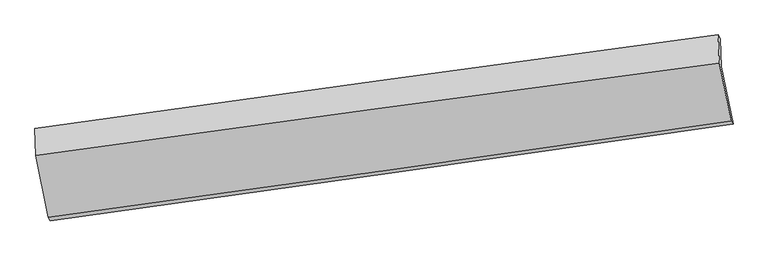
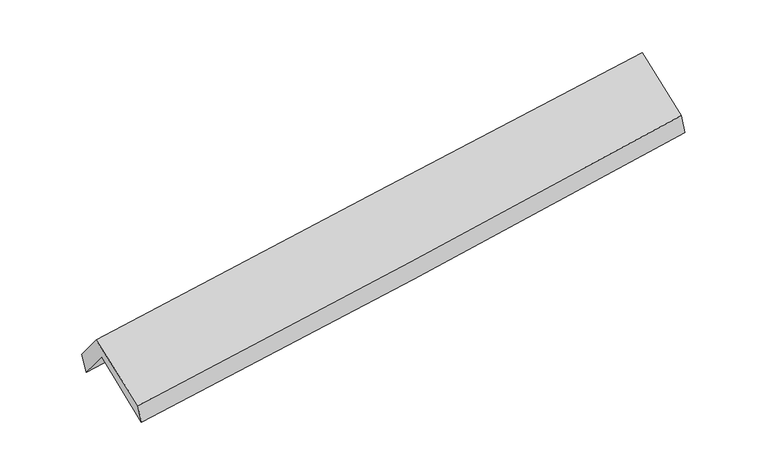
"""IFC4 building model written with IfcOpenShell, lengths in millimetres: proxy geometry."""

from ifc_helpers import new_model, si_unit, frame, origin, place, context, project, spatial, source, transform, mapped, element, save
from ifc_brep_helpers import plane_surface, spline_curve, spline_surface, advanced_brep


def generic_models_509fd9b7(model_context):
    return source(origin(), model_context, "Body", "AdvancedBrep", [
        advanced_brep(
        [(-2908.3769592, -2513.8980308, 1460.1090854), (-3013.3975043, -2003.4289814, 1889.0589955), (2953.6678337, -1164.9754659, 2367.6537208), (3056.6031593, -1668.1398455, 1951.9944992), (-3022.3679467, -1747.6581576, 1567.9152747), (2944.2318731, -920.1421087, 2070.6710557), (-3042.2025289, -1706.8462271, 1742.6827796), (2925.6403404, -886.8565193, 2242.8643998), (-3033.9963675, -1940.8172708, 2036.4513776), (2936.8347703, -1132.5932811, 2519.7746613), (-2925.967768, -2485.0126769, 1627.4326829), (3039.1701107, -1642.5631827, 2122.9601318)],
        [
            (0, 1),
            (1, 2, spline_curve(3, [(-3013.3975043, -2003.4289814, 1889.0589955), (-2018.608762205, -1866.076919032, 1969.521716069), (-1023.962066677, -1727.530207731, 2049.635722091), (965.059716338, -1448.045732546, 2209.167305974), (1959.434799982, -1307.107938787, 2288.584875165), (2953.6678337, -1164.9754659, 2367.6537208)], [4, 2, 4], [0.0, 9.915792664136498, 19.831709797665752])),
            (2, 3),
            (3, 0, spline_curve(3, [(3056.6031593, -1668.1398455, 1951.9944992), (2063.821954673, -1811.840826092, 1857.74068183), (1070.346551696, -1954.171598722, 1769.623103091), (-917.980172198, -2236.090959673, 1605.661452378), (-1912.831475209, -2375.679581997, 1529.817226488), (-2908.3769592, -2513.8980308, 1460.1090854)], [4, 2, 4], [0.0, 9.915917133529254, 19.831709797665752])),
            (1, 4),
            (4, 5, spline_curve(3, [(-3022.3679467, -1747.6581576, 1567.9152747), (-2027.545048073, -1611.141791185, 1649.367760719), (-1032.920066231, -1473.924374635, 1731.990048444), (955.946545117, -1198.085709124, 1899.575279168), (1950.188170306, -1059.464442914, 1984.53825188), (2944.2318731, -920.1421087, 2070.6710557)], [4, 2, 4], [0.0, 9.91569707483024, 19.831518617853334])),
            (5, 2),
            (4, 6),
            (6, 7, spline_curve(3, [(-3042.2025289, -1706.8462271, 1742.6827796), (-2048.009601163, -1565.79282112, 1824.22108818), (-1053.596021085, -1426.934057625, 1906.671777004), (935.684929973, -1153.604099879, 2073.398960823), (1930.552305921, -1019.132960771, 2157.675478849), (2925.6403404, -886.8565193, 2242.8643998)], [4, 2, 4], [0.0, 9.915706949062594, 19.831538366441993])),
            (7, 5),
            (6, 8),
            (8, 9, spline_curve(3, [(-3033.9963675, -1940.8172708, 2036.4513776), (-2039.409106607, -1802.818749359, 2118.298361387), (-1044.549339357, -1666.467902022, 2199.498545089), (945.727699895, -1397.059864097, 2360.606322469), (1941.144978489, -1264.002714902, 2440.513900141), (2936.8347703, -1132.5932811, 2519.7746613)], [4, 2, 4], [0.0, 9.915690680966975, 19.831505830046545])),
            (9, 7),
            (8, 10),
            (10, 11, spline_curve(3, [(-2925.967768, -2485.0126769, 1627.4326829), (-1930.784570537, -2347.981980139, 1703.593004096), (-936.101265535, -2209.262958613, 1782.966839273), (1052.278040163, -1928.446502904, 1948.142574817), (2045.974027905, -1786.349026341, 2033.944555797), (3039.1701107, -1642.5631827, 2122.9601318)], [4, 2, 4], [0.0, 9.915679651204702, 19.831483770383546])),
            (11, 9),
            (10, 0),
            (3, 11),
        ],
        [
            spline_surface(3, 3, [[(-2908.3769592, -2513.8980308, 1460.1090854), (-1912.831475109, -2375.679581849, 1529.817226545), (-917.980172048, -2236.090959543, 1605.661452459), (1070.346551546, -1954.171598851, 1769.62310301), (2063.821954652, -1811.840826039, 1857.740681696), (3056.6031593, -1668.1398455, 1951.9944992)], [(-2943.383807558, -2343.741681006, 1603.092388779), (-1948.09057085, -2205.812027608, 1676.385389756), (-953.307470236, -2066.570708932, 1753.65287568), (1035.25093979, -1785.462976748, 1916.137837334), (2029.026236395, -1643.596530282, 2001.355412847), (3022.291384099, -1500.418385636, 2090.547573087)], [(-2978.390655942, -2173.585331194, 1746.075692121), (-1983.349666617, -2035.944473349, 1822.953552931), (-988.634768426, -1897.050458334, 1901.644298881), (1000.155328032, -1616.754354658, 2062.65257164), (1994.230518141, -1475.352234518, 2144.970143937), (2987.979608901, -1332.696925764, 2229.100646913)], [(-3013.3975043, -2003.4289814, 1889.0589955), (-2018.608762358, -1866.076919108, 1969.521716142), (-1023.962066615, -1727.530207723, 2049.635722101), (965.059716275, -1448.045732554, 2209.167305964), (1959.434799884, -1307.107938761, 2288.584875089), (2953.6678337, -1164.9754659, 2367.6537208)]], [4, 4], [4, 2, 4], [0.0, 2.234121969725608], [0.0, 9.915792664136498, 19.831709797665752]),
            spline_surface(3, 3, [[(-3013.3975043, -2003.4289814, 1889.0589955), (-2018.608762358, -1866.076919108, 1969.521716142), (-1023.962066615, -1727.530207723, 2049.635722101), (965.059716275, -1448.045732554, 2209.167305964), (1959.434799884, -1307.107938761, 2288.584875089), (2953.6678337, -1164.9754659, 2367.6537208)], [(-3016.387651761, -1918.172040137, 1782.011088577), (-2021.587524217, -1781.098543165, 1862.803730964), (-1026.948066535, -1642.994930019, 1943.75383084), (962.021992581, -1364.725724788, 2105.96996373), (1956.352590009, -1224.560106824, 2187.236000672), (2950.522513513, -1083.364346841, 2268.65949908)], [(-3019.377799239, -1832.915098863, 1674.963181623), (-2024.566286093, -1696.120167213, 1756.085745756), (-1029.93406642, -1558.459652262, 1837.871939596), (958.984268922, -1281.405716968, 2002.772621512), (1953.270380094, -1142.012274864, 2085.887126314), (2947.377193287, -1001.753227759, 2169.66527742)], [(-3022.3679467, -1747.6581576, 1567.9152747), (-2027.545047952, -1611.141791271, 1649.367760578), (-1032.92006634, -1473.924374558, 1731.990048334), (955.946545227, -1198.085709201, 1899.575279278), (1950.188170219, -1059.464442927, 1984.538251898), (2944.2318731, -920.1421087, 2070.6710557)]], [4, 4], [4, 2, 4], [0.0, 1.3198318760180319], [0.0, 9.91569707483024, 19.831518617853334]),
            spline_surface(3, 3, [[(-3022.3679467, -1747.6581576, 1567.9152747), (-2027.545047952, -1611.141791271, 1649.367760578), (-1032.92006634, -1473.924374558, 1731.990048334), (955.946545227, -1198.085709201, 1899.575279278), (1950.188170219, -1059.464442927, 1984.538251898), (2944.2318731, -920.1421087, 2070.6710557)], [(-3028.979474117, -1734.054180758, 1626.171109651), (-2034.36656573, -1596.025467887, 1707.652203139), (-1039.812051237, -1458.260935562, 1790.217291224), (949.192673449, -1183.25850609, 1957.516506468), (1943.642882179, -1046.020615546, 2042.250660905), (2938.034695546, -909.046912211, 2128.06883709)], [(-3035.591001483, -1720.450203942, 1684.426944649), (-2041.188083458, -1580.909144528, 1765.936645745), (-1046.704036121, -1442.597496599, 1848.444534102), (942.438801683, -1168.431303012, 2015.457733646), (1937.097594102, -1032.576788231, 2099.963069844), (2931.837517954, -897.951715789, 2185.46661841)], [(-3042.2025289, -1706.8462271, 1742.6827796), (-2048.009601237, -1565.792821144, 1824.221088306), (-1053.596021017, -1426.934057603, 1906.671776991), (935.684929904, -1153.604099902, 2073.398960835), (1930.552306062, -1019.13296085, 2157.675478851), (2925.6403404, -886.8565193, 2242.8643998)]], [4, 4], [4, 2, 4], [0.0, 0.5948620663698353], [0.0, 9.915706949062594, 19.831538366441993]),
            spline_surface(3, 3, [[(-3042.2025289, -1706.8462271, 1742.6827796), (-2048.009601237, -1565.792821144, 1824.221088306), (-1053.596021017, -1426.934057603, 1906.671776991), (935.684929904, -1153.604099902, 2073.398960835), (1930.552306062, -1019.13296085, 2157.675478851), (2925.6403404, -886.8565193, 2242.8643998)], [(-3039.467141768, -1784.836574989, 1840.605645593), (-2045.142769699, -1644.801463912, 1922.246846036), (-1050.580460449, -1506.778672407, 2004.280699664), (939.032519867, -1234.756021295, 2169.134748052), (1934.083196822, -1100.756212219, 2251.95495262), (2929.371817015, -968.768773224, 2335.16782028)], [(-3036.731754632, -1862.826922911, 1938.528511607), (-2042.275938156, -1723.810106713, 2020.272603788), (-1047.564899851, -1586.623287223, 2101.889622368), (942.380109859, -1315.9079427, 2264.8705353), (1937.614087636, -1182.379463615, 2346.234426448), (2933.103293685, -1050.681027176, 2427.47124082)], [(-3033.9963675, -1940.8172708, 2036.4513776), (-2039.409106618, -1802.818749481, 2118.298361517), (-1044.549339282, -1666.467902027, 2199.498545041), (945.727699821, -1397.059864093, 2360.606322517), (1941.144978396, -1264.002714984, 2440.513900218), (2936.8347703, -1132.5932811, 2519.7746613)]], [4, 4], [4, 2, 4], [0.0, 1.2385799889221984], [0.0, 9.915690680966975, 19.831505830046545]),
            spline_surface(3, 3, [[(-3033.9963675, -1940.8172708, 2036.4513776), (-2039.409106618, -1802.818749481, 2118.298361517), (-1044.549339282, -1666.467902027, 2199.498545041), (945.727699821, -1397.059864093, 2360.606322517), (1941.144978396, -1264.002714984, 2440.513900218), (2936.8347703, -1132.5932811, 2519.7746613)], [(-2997.986834324, -2122.215739506, 1900.111812719), (-2003.200927918, -1984.539826402, 1980.063242343), (-1008.399981299, -1847.399587544, 2060.654643105), (981.244479919, -1574.188743695, 2223.118406629), (1976.08799486, -1438.118152158, 2304.990785444), (2970.946550426, -1302.583248309, 2387.503151477)], [(-2961.977301176, -2303.614208194, 1763.772247781), (-1966.992749246, -2166.260903306, 1841.828123113), (-972.250623392, -2028.331273081, 1921.810741171), (1016.761259939, -1751.317623317, 2085.630490742), (2011.031011345, -1612.233589305, 2169.46767064), (3005.058330574, -1472.573215491, 2255.231641623)], [(-2925.967768, -2485.0126769, 1627.4326829), (-1930.784570545, -2347.981980228, 1703.593003939), (-936.101265409, -2209.262958598, 1782.966839235), (1052.278040037, -1928.446502919, 1948.142574854), (2045.97402781, -1786.349026479, 2033.944555866), (3039.1701107, -1642.5631827, 2122.9601318)]], [4, 4], [4, 2, 4], [0.0, 2.2536072832748064], [0.0, 9.915679651204702, 19.831483770383546]),
            spline_surface(3, 3, [[(-2925.967768, -2485.0126769, 1627.4326829), (-1930.784570545, -2347.981980228, 1703.593003939), (-936.101265409, -2209.262958598, 1782.966839235), (1052.278040037, -1928.446502919, 1948.142574854), (2045.97402781, -1786.349026479, 2033.944555866), (3039.1701107, -1642.5631827, 2122.9601318)], [(-2920.104165072, -2494.641128204, 1571.658150382), (-1924.800205405, -2357.214514105, 1645.667744789), (-930.060900955, -2218.205625588, 1723.865043649), (1058.300877206, -1937.021534905, 1888.636084246), (2051.923336757, -1794.846293011, 1975.209931129), (3044.9811269, -1651.088736978, 2065.971587586)], [(-2914.240562128, -2504.269579496, 1515.883617918), (-1918.81584025, -2366.447047971, 1587.742485695), (-924.020536501, -2227.148292553, 1664.763248045), (1064.323714377, -1945.596566865, 1829.129593619), (2057.872645705, -1803.343559507, 1916.475306434), (3050.7921431, -1659.614291222, 2008.983043414)], [(-2908.3769592, -2513.8980308, 1460.1090854), (-1912.831475109, -2375.679581849, 1529.817226545), (-917.980172048, -2236.090959543, 1605.661452459), (1070.346551546, -1954.171598851, 1769.62310301), (2063.821954652, -1811.840826039, 1857.740681696), (3056.6031593, -1668.1398455, 1951.9944992)]], [4, 4], [4, 2, 4], [0.0, 0.5930131833157595], [0.0, 9.915896948425907, 19.831918367553612]),
            plane_surface(frame((2976.0246812, -1235.8784005, 2212.6530781), z_axis=(0.9874962848909774, 0.13559353604201482, 0.08040821046473287), x_axis=(0.15642347543632937, -0.7795084677957259, -0.6065461606235588))),
            plane_surface(frame((-2991.0515124, -2066.2768908, 1720.608366), z_axis=(-0.9874962848908594, -0.13559353604574056, -0.0804082104598982), x_axis=(-0.10304660376439863, 0.16920982175354995, 0.9801782662734136))),
        ],
        [
            (0, [[1, 2, 3, 4]]),
            (1, [[5, 6, 7, -2]]),
            (2, [[8, 9, 10, -6]]),
            (3, [[11, 12, 13, -9]]),
            (4, [[14, 15, 16, -12]]),
            (5, [[17, -4, 18, -15]]),
            (6, [[-16, -18, -3, -7, -10, -13]]),
            (7, [[-17, -14, -11, -8, -5, -1]]),
        ],
    ),
    ])


if __name__ == "__main__":
    model = new_model("IFC4")
    model_context = context("Model", 3, world=origin())
    ifc_project = project(units=[si_unit("LENGTHUNIT", "METRE", prefix="MILLI")], contexts=[model_context])
    site = spatial("IfcSite", under=ifc_project)
    building = spatial("IfcBuilding", under=site)
    placement = place(None, origin())
    generic_models_shape = generic_models_509fd9b7(model_context)
    element("IfcBuildingElementProxy", 1, Name="Generic Models", at=placement, inside=building, context=model_context, shape_type="MappedRepresentation", body=[
        mapped(generic_models_shape, transform((0.0, 0.0, 0.0), x_axis=(1.0, 0.0, 0.0), y_axis=(0.0, 1.0, 0.0), z_axis=(0.0, 0.0, 1.0))),
    ])
    save(model, "model.ifc")
